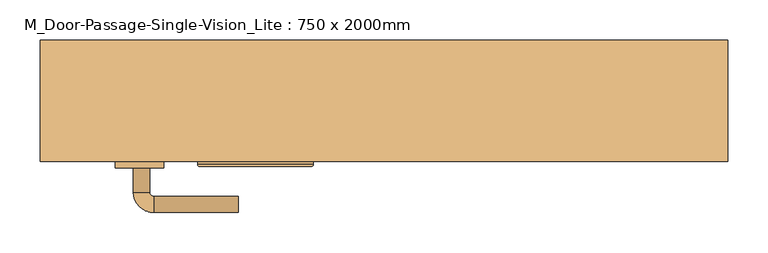
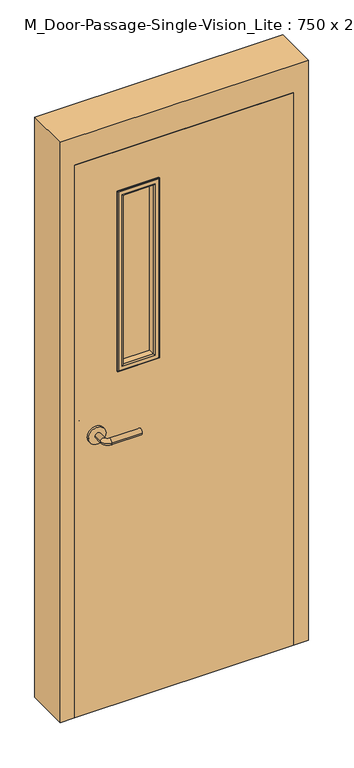
"""IFC4 building model written with IfcOpenShell, lengths in millimetres: door geometry, M_Door-Passage-Single-Vision_Lite : 750 x 2000mm."""

import ifcopenshell
import ifcopenshell.guid

model = None  # the IFC model being written
_history = None  # IfcOwnerHistory: only IFC2X3 demands one
_inside = {}  # id of a spatial element -> (the spatial element, [elements in it])
_under = {}  # id of a project, library or spatial element -> (it, [spatial elements below it])
_declared = {}  # id of a project -> (the project, [libraries it declares])
_typed = {}  # id of a type object -> (the type object, [elements of that type])
_made_of = {}  # id of a material, layer set ... -> (it, [elements and type objects made of it])


def new_model(schema):
    """Start an empty IFC model of exactly this schema.

    Asked for "IFC4X3", IfcOpenShell would pick the latest addendum, in which some entities
    have other attributes; the version numbers below select the first issue.
    IFC2X3 requires an IfcOwnerHistory on every rooted entity: one is made here for all.
    """
    global model, _history
    if schema == "IFC4X3":
        model = ifcopenshell.file(schema_version=(4, 3, 0, 0))
    else:
        model = ifcopenshell.file(schema=schema)
    _inside.clear()
    _under.clear()
    _declared.clear()
    _typed.clear()
    _made_of.clear()
    _history = None
    if model.schema == "IFC2X3":
        org = make("IfcOrganization", Name="unknown")
        user = make(
            "IfcPersonAndOrganization",
            ThePerson=make("IfcPerson", FamilyName="unknown"),
            TheOrganization=org,
        )
        app = make(
            "IfcApplication",
            ApplicationDeveloper=org,
            Version="unknown",
            ApplicationFullName="unknown",
            ApplicationIdentifier="unknown",
        )
        _history = make(
            "IfcOwnerHistory",
            OwningUser=user,
            OwningApplication=app,
            ChangeAction="ADDED",
            CreationDate=0,
        )
    return model


def make(cls, **values):
    """One entity of the class cls with the attributes given. An attribute that is None is left unset."""
    return model.create_entity(
        cls, **{name: value for name, value in values.items() if value is not None}
    )


def rooted(cls, **values):
    """An entity with a GlobalId (a new one), such as an element, a storey or a relation."""
    return make(cls, GlobalId=ifcopenshell.guid.new(), OwnerHistory=_history, **values)


def si_unit(unit_type, name, prefix=None):
    """IfcSIUnit, for example si_unit("LENGTHUNIT", "METRE", prefix="MILLI")."""
    return make("IfcSIUnit", UnitType=unit_type, Prefix=prefix, Name=name)


def assignment(units):
    """IfcUnitAssignment: the units of a project."""
    return None if units is None else make("IfcUnitAssignment", Units=units)


def point(xyz):
    """IfcCartesianPoint."""
    return None if xyz is None else make("IfcCartesianPoint", Coordinates=xyz)


def direction(xyz):
    """IfcDirection."""
    return None if xyz is None else make("IfcDirection", DirectionRatios=xyz)


def frame(location, z_axis=None, x_axis=None):
    """IfcAxis2Placement3D, a coordinate frame: its origin and axes. An axis left out is left unset."""
    return make(
        "IfcAxis2Placement3D",
        Location=point(location),
        Axis=direction(z_axis),
        RefDirection=direction(x_axis),
    )


def frame_2d(location, x_axis=None):
    """IfcAxis2Placement2D, a coordinate frame in the plane: its origin and x axis."""
    return make(
        "IfcAxis2Placement2D", Location=point(location), RefDirection=direction(x_axis)
    )


def origin():
    """The frame at (0, 0, 0) with its axes left unset."""
    return frame((0.0, 0.0, 0.0))


def place(relative_to, where):
    """IfcLocalPlacement: puts the frame where relative to a parent placement (None: the world)."""
    return make(
        "IfcLocalPlacement", PlacementRelTo=relative_to, RelativePlacement=where
    )


def context(
    kind, dimensions, precision=None, world=None, true_north=None, identifier=None
):
    """IfcGeometricRepresentationContext, for example the 3D "Model" context."""
    return make(
        "IfcGeometricRepresentationContext",
        ContextIdentifier=identifier,
        ContextType=kind,
        CoordinateSpaceDimension=dimensions,
        Precision=precision,
        WorldCoordinateSystem=world,
        TrueNorth=true_north,
    )


def project(units=None, contexts=None):
    """IfcProject with its units and contexts."""
    return rooted(
        "IfcProject",
        Name="project",
        RepresentationContexts=contexts,
        UnitsInContext=assignment(units),
    )


def spatial(cls, under=None, at=None, **own):
    """A site, building, storey or space (cls), placed at a placement, below another one or the project."""
    s = rooted(cls, ObjectPlacement=at, **own)
    if under is not None:
        _under.setdefault(under.id(), (under, []))[1].append(s)
    return s


def polyline(points):
    """IfcPolyline through the points."""
    return make("IfcPolyline", Points=[point(p) for p in points])


def circle_curve(where, radius):
    """IfcCircle in the frame where."""
    return make("IfcCircle", Position=where, Radius=radius)


def ellipse_curve(where, semi_axis1, semi_axis2):
    """IfcEllipse in the frame where."""
    return make(
        "IfcEllipse", Position=where, SemiAxis1=semi_axis1, SemiAxis2=semi_axis2
    )


def trimmed(basis, trim1, trim2, sense, master):
    """IfcTrimmedCurve: the piece of a basis curve between two trims."""
    return make(
        "IfcTrimmedCurve",
        BasisCurve=basis,
        Trim1=trim1,
        Trim2=trim2,
        SenseAgreement=sense,
        MasterRepresentation=master,
    )


def segment(curve, same_sense, transition):
    """IfcCompositeCurveSegment."""
    return make(
        "IfcCompositeCurveSegment",
        Transition=transition,
        SameSense=same_sense,
        ParentCurve=curve,
    )


def composite_curve(segments, self_intersect=None):
    """IfcCompositeCurve: segments joined end to end."""
    return make("IfcCompositeCurve", Segments=segments, SelfIntersect=self_intersect)


def outline(outer, holes=None, kind="AREA"):
    """IfcArbitraryClosedProfileDef: a profile drawn as a closed curve; with holes, ...WithVoids."""
    if holes is None:
        return make("IfcArbitraryClosedProfileDef", ProfileType=kind, OuterCurve=outer)
    return make(
        "IfcArbitraryProfileDefWithVoids",
        ProfileType=kind,
        OuterCurve=outer,
        InnerCurves=holes,
    )


def extrude(swept, where, along, depth):
    """IfcExtrudedAreaSolid: the profile swept, set in the frame where, extruded along a direction by depth."""
    return make(
        "IfcExtrudedAreaSolid",
        SweptArea=swept,
        Position=where,
        ExtrudedDirection=direction(along),
        Depth=depth,
    )


def faces_of(points, faces, orient=None, outer=None):
    """IfcFace entities. A face is a list of loops; a loop is a list of indices into points, from 0.

    orient and outer hold one flag for each loop. By default every Orientation is true, the
    first loop of a face is its IfcFaceOuterBound and the others are IfcFaceBound.
    """
    made = []
    for i, loops in enumerate(faces):
        bounds = []
        for j, loop in enumerate(loops):
            is_outer = j == 0 if outer is None else outer[i][j]
            bounds.append(
                make(
                    "IfcFaceOuterBound" if is_outer else "IfcFaceBound",
                    Bound=make("IfcPolyLoop", Polygon=[points[k] for k in loop]),
                    Orientation=True if orient is None else orient[i][j],
                )
            )
        made.append(make("IfcFace", Bounds=bounds))
    return made


def faceted_brep(points, faces, orient=None, outer=None, voids=None):
    """IfcFacetedBrep: a solid bounded by flat faces; with voids (closed shells), ...WithVoids."""
    shared = [point(p) for p in points]
    hull = make("IfcClosedShell", CfsFaces=faces_of(shared, faces, orient, outer))
    if voids is None:
        return make("IfcFacetedBrep", Outer=hull)
    return make(
        "IfcFacetedBrepWithVoids",
        Outer=hull,
        Voids=[
            make(cls, CfsFaces=faces_of(shared, fs, o, b)) for cls, fs, o, b in voids
        ],
    )


def shape(context_of_items, identifier, shape_type, items):
    """IfcShapeRepresentation: the items that make up one representation, for example the "Body"."""
    return make(
        "IfcShapeRepresentation",
        ContextOfItems=context_of_items,
        RepresentationIdentifier=identifier,
        RepresentationType=shape_type,
        Items=items,
    )


def source(mapping_origin, context_of_items, identifier, shape_type, items):
    """IfcRepresentationMap: a shape defined once, which mapped items show again and again."""
    return make(
        "IfcRepresentationMap",
        MappingOrigin=mapping_origin,
        MappedRepresentation=shape(context_of_items, identifier, shape_type, items),
    )


def transform(
    local_origin,
    x_axis=None,
    y_axis=None,
    z_axis=None,
    scale=None,
    scale2=None,
    scale3=None,
    uniform=True,
):
    """IfcCartesianTransformationOperator3D, or its non-uniform kind. x_axis, y_axis, z_axis: its Axis1, 2, 3."""
    if uniform:
        return make(
            "IfcCartesianTransformationOperator3D",
            Axis1=direction(x_axis),
            Axis2=direction(y_axis),
            LocalOrigin=point(local_origin),
            Scale=scale,
            Axis3=direction(z_axis),
        )
    return make(
        "IfcCartesianTransformationOperator3DnonUniform",
        Axis1=direction(x_axis),
        Axis2=direction(y_axis),
        LocalOrigin=point(local_origin),
        Scale=scale,
        Axis3=direction(z_axis),
        Scale2=scale2,
        Scale3=scale3,
    )


def mapped(mapping_source, mapping_target):
    """IfcMappedItem: shows the shape of a source again, moved by a transform."""
    return make(
        "IfcMappedItem", MappingSource=mapping_source, MappingTarget=mapping_target
    )


def made_of(thing, what):
    """Note that an element or type object is made of a material, layer set ...; save() writes the relation."""
    if what is not None:
        _made_of.setdefault(what.id(), (what, []))[1].append(thing)
    return thing


def element(
    cls,
    number,
    at=None,
    inside=None,
    cuts=None,
    type_object=None,
    material=None,
    context=None,
    identifier="Body",
    shape_type=None,
    held_by="IfcProductDefinitionShape",
    body=None,
    shapes=None,
    **own,
):
    """One element of the class cls, such as IfcWall. Its Tag is "e" and its number.

    at: its placement. inside: the storey or other place that contains it. cuts: it is an
    opening in that element (IfcRelVoidsElement). A single representation is given by context,
    identifier, shape_type and body (its items); several are given by shapes. held_by: the class
    of the entity that holds the representations. save() writes the other relations.
    """
    e = rooted(cls, Tag="e%d" % number, ObjectPlacement=at, **own)
    if body is not None:
        shapes = [shape(context, identifier, shape_type, body)]
    if shapes is not None:
        e.Representation = make(held_by, Representations=shapes)
    if inside is not None:
        _inside.setdefault(inside.id(), (inside, []))[1].append(e)
    if cuts is not None:
        rooted(
            "IfcRelVoidsElement", RelatingBuildingElement=cuts, RelatedOpeningElement=e
        )
    if type_object is not None:
        _typed.setdefault(type_object.id(), (type_object, []))[1].append(e)
    return made_of(e, material)


def aggregate(whole, parts):
    """IfcRelAggregates: a whole, such as a stair, and the parts it consists of."""
    return rooted("IfcRelAggregates", RelatingObject=whole, RelatedObjects=parts)


def save(model, path):
    """Write the relations noted so far, then the file.

    IfcRelAggregates (storeys below a building ...), IfcRelContainedInSpatialStructure (elements
    in a storey), IfcRelDefinesByType, IfcRelAssociatesMaterial and IfcRelDeclares: one each for
    every whole, place, type object, material and project.
    """
    for whole, parts in _under.values():
        aggregate(whole, parts)
    for where, things in _inside.values():
        rooted(
            "IfcRelContainedInSpatialStructure",
            RelatedElements=things,
            RelatingStructure=where,
        )
    for kind, things in _typed.values():
        rooted("IfcRelDefinesByType", RelatedObjects=things, RelatingType=kind)
    for what, things in _made_of.values():
        rooted("IfcRelAssociatesMaterial", RelatedObjects=things, RelatingMaterial=what)
    for by, libraries in _declared.values():
        rooted("IfcRelDeclares", RelatingContext=by, RelatedDefinitions=libraries)
    model.write(path)


def plane_surface(at):
    """IfcPlane: the flat surface through the origin of the frame at, square to its z axis."""
    return make("IfcPlane", Position=at)


def cylinder_surface(at, radius):
    """IfcCylindricalSurface: all points at the distance radius from the z axis of the frame at."""
    return make("IfcCylindricalSurface", Position=at, Radius=radius)


def revolved_surface(curve, axis_point, axis_direction):
    """IfcSurfaceOfRevolution: the curve turned about the line through axis_point along axis_direction."""
    return make(
        "IfcSurfaceOfRevolution",
        SweptCurve=make("IfcArbitraryOpenProfileDef", ProfileType="CURVE", Curve=curve),
        AxisPosition=make("IfcAxis1Placement", Location=point(axis_point), Axis=direction(axis_direction)),
    )


def advanced_brep(points, edges, surfaces, faces):
    """IfcAdvancedBrep: a solid bounded by faces that lie on surfaces and meet in shared edges.

    An edge is (start, end): straight between two places in points (the first is 0);
    or (start, end, curve); or (start, end, curve, False) where it runs against its curve.
    A face is (place in surfaces, loops), or (place, loops, False) where it looks against
    its surface's normal. A loop lists edges by number (the first is 1), with a minus sign
    where the edge is run from its end to its start. The first loop is the outer one.
    """
    corners = [point(p) for p in points]
    vertices = [make("IfcVertexPoint", VertexGeometry=c) for c in corners]
    made = []
    for start, end, *more in edges:
        made.append(
            make(
                "IfcEdgeCurve",
                EdgeStart=vertices[start],
                EdgeEnd=vertices[end],
                EdgeGeometry=more[0] if more else make("IfcPolyline", Points=[corners[start], corners[end]]),
                SameSense=more[1] if len(more) > 1 else True,
            )
        )
    hull = []
    for where, loops, *sense in faces:
        bounds = []
        for j, loop in enumerate(loops):
            ring = [make("IfcOrientedEdge", EdgeElement=made[abs(k) - 1], Orientation=k > 0) for k in loop]
            bounds.append(
                make(
                    "IfcFaceOuterBound" if j == 0 else "IfcFaceBound",
                    Bound=make("IfcEdgeLoop", EdgeList=ring),
                    Orientation=True,
                )
            )
        hull.append(make("IfcAdvancedFace", Bounds=bounds, FaceSurface=surfaces[where], SameSense=sense[0] if sense else True))
    return make("IfcAdvancedBrep", Outer=make("IfcClosedShell", CfsFaces=hull))


def m_door_passage_single_vision_lite_750_x_2000mm_ab727fbf(model_context):
    return source(origin(), model_context, "Body", "SolidModel", [
        advanced_brep(
        [(-309.990625, 9.15, 1000.0), (-289.990625, 9.15, 1000.0), (-309.990625, 39.15, 1000.0), (-289.990625, 39.15, 1000.0), (-284.990625, 44.15, 1000.0), (-284.990625, 64.15, 1000.0), (-179.990625, 64.15, 1000.0), (-179.990625, 44.15, 1000.0)],
        [
            (0, 1, circle_curve(frame((-299.990625, 9.15, 1000.0), z_axis=(0.0, -1.0, 0.0), x_axis=(1.0, 0.0, 0.0)), 10.0)),
            (1, 0, circle_curve(frame((-299.990625, 9.15, 1000.0), z_axis=(0.0, -1.0, 0.0), x_axis=(1.0, 0.0, 0.0)), 10.0)),
            (0, 2),
            (2, 3, circle_curve(frame((-299.990625, 39.15, 1000.0), z_axis=(0.0, -1.0, 0.0), x_axis=(1.0, 0.0, 0.0)), 10.0)),
            (3, 1),
            (3, 2, circle_curve(frame((-299.990625, 39.15, 1000.0), z_axis=(0.0, -1.0, 0.0), x_axis=(1.0, 0.0, 0.0)), 10.0)),
            (4, 3, circle_curve(frame((-284.990625, 39.15, 1000.0), z_axis=(0.0, 0.0, 1.0), x_axis=(-1.0, 0.0, 0.0)), 5.0)),
            (2, 5, circle_curve(frame((-284.990625, 39.15, 1000.0), z_axis=(0.0, 0.0, -1.0), x_axis=(-1.0, 0.0, 0.0)), 25.0)),
            (5, 4, circle_curve(frame((-284.990625, 54.15, 1000.0), z_axis=(-1.0, 0.0, 0.0), x_axis=(0.0, -1.0, 0.0)), 10.0)),
            (4, 5, circle_curve(frame((-284.990625, 54.15, 1000.0), z_axis=(-1.0, 0.0, 0.0), x_axis=(0.0, -1.0, 0.0)), 10.0)),
            (6, 7, circle_curve(frame((-179.990625, 54.15, 1000.0), z_axis=(1.0, 0.0, 0.0), x_axis=(0.0, -1.0, 0.0)), 10.0)),
            (7, 6, circle_curve(frame((-179.990625, 54.15, 1000.0), z_axis=(1.0, 0.0, 0.0), x_axis=(0.0, -1.0, 0.0)), 10.0)),
            (5, 6),
            (7, 4),
        ],
        [
            plane_surface(frame((-299.990625, 9.15, 1000.0), z_axis=(0.0, -1.0, 0.0), x_axis=(0.0, 0.0, 1.0))),
            cylinder_surface(frame((-299.990625, 9.15, 1000.0), z_axis=(0.0, -1.0, 0.0), x_axis=(1.0, 0.0, 0.0)), 10.0),
            revolved_surface(trimmed(ellipse_curve(frame((-299.990625, 39.15, 1000.0), z_axis=(0.0, -1.0, 0.0), x_axis=(1.0, 0.0, 0.0)), 10.0, 10.0), [point((-309.990625, 39.15, 1000.0))], [point((-289.990625, 39.15, 1000.0))], True, "CARTESIAN"), (-284.990625, 39.15, 1000.0), (0.0, 0.0, -1.0)),
            revolved_surface(trimmed(ellipse_curve(frame((-299.990625, 39.15, 1000.0), z_axis=(0.0, -1.0, 0.0), x_axis=(1.0, 0.0, 0.0)), 10.0, 10.0), [point((-289.990625, 39.15, 1000.0))], [point((-309.990625, 39.15, 1000.0))], True, "CARTESIAN"), (-284.990625, 39.15, 1000.0), (0.0, 0.0, -1.0)),
            plane_surface(frame((-179.990625, 54.15, 1000.0), z_axis=(1.0, 0.0, 0.0), x_axis=(0.0, 0.0, 1.0))),
            cylinder_surface(frame((-284.990625, 54.15, 1000.0), z_axis=(-1.0, 0.0, 0.0), x_axis=(0.0, -1.0, 0.0)), 10.0),
        ],
        [
            (0, [[1, 2]]),
            (1, [[-1, 3, 4, 5]]),
            (1, [[-2, -5, 6, -3]]),
            (2, [[7, -4, 8, 9]]),
            (3, [[-8, -6, -7, 10]]),
            (4, [[11, 12]]),
            (5, [[-9, 13, -12, 14]]),
            (5, [[-10, -14, -11, -13]]),
        ],
    ),
        extrude(outline(composite_curve([segment(trimmed(circle_curve(frame_2d((1000.0, -302.490625)), 30.0), [point((1000.0, -332.490625))], [point((1000.0, -272.490625))], False, "CARTESIAN"), True, "CONTINUOUS"), segment(trimmed(circle_curve(frame_2d((1000.0, -302.490625)), 30.0), [point((1000.0, -272.490625))], [point((1000.0, -332.490625))], False, "CARTESIAN"), True, "CONTINUOUS")], self_intersect=False)), frame((0.0, 1.15, 0.0), z_axis=(0.0, 1.0, 0.0), x_axis=(0.0, 0.0, 1.0)), (0.0, 0.0, 1.0), 8.0),
        advanced_brep(
        [(-309.990625, -51.85, 1000.0), (-289.990625, -51.85, 1000.0), (-289.990625, -81.85, 1000.0), (-309.990625, -81.85, 1000.0), (-284.990625, -86.85, 1000.0), (-284.990625, -106.85, 1000.0), (-179.990625, -106.85, 1000.0), (-179.990625, -86.85, 1000.0)],
        [
            (0, 1, circle_curve(frame((-299.990625, -51.85, 1000.0), z_axis=(0.0, 1.0, 0.0), x_axis=(1.0, 0.0, 0.0)), 10.0)),
            (1, 0, circle_curve(frame((-299.990625, -51.85, 1000.0), z_axis=(0.0, 1.0, 0.0), x_axis=(1.0, 0.0, 0.0)), 10.0)),
            (1, 2),
            (2, 3, circle_curve(frame((-299.990625, -81.85, 1000.0), z_axis=(0.0, 1.0, 0.0), x_axis=(1.0, 0.0, 0.0)), 10.0)),
            (3, 0),
            (3, 2, circle_curve(frame((-299.990625, -81.85, 1000.0), z_axis=(0.0, 1.0, 0.0), x_axis=(1.0, 0.0, 0.0)), 10.0)),
            (4, 5, circle_curve(frame((-284.990625, -96.85, 1000.0), z_axis=(-1.0, 0.0, 0.0), x_axis=(0.0, 1.0, 0.0)), 10.0)),
            (5, 3, circle_curve(frame((-284.990625, -81.85, 1000.0), z_axis=(0.0, 0.0, -1.0), x_axis=(-1.0, 0.0, 0.0)), 25.0)),
            (2, 4, circle_curve(frame((-284.990625, -81.85, 1000.0), z_axis=(0.0, 0.0, 1.0), x_axis=(-1.0, 0.0, 0.0)), 5.0)),
            (5, 4, circle_curve(frame((-284.990625, -96.85, 1000.0), z_axis=(-1.0, 0.0, 0.0), x_axis=(0.0, 1.0, 0.0)), 10.0)),
            (6, 7, circle_curve(frame((-179.990625, -96.85, 1000.0), z_axis=(1.0, 0.0, 0.0), x_axis=(0.0, 1.0, 0.0)), 10.0)),
            (7, 6, circle_curve(frame((-179.990625, -96.85, 1000.0), z_axis=(1.0, 0.0, 0.0), x_axis=(0.0, 1.0, 0.0)), 10.0)),
            (4, 7),
            (6, 5),
        ],
        [
            plane_surface(frame((-299.990625, -51.85, 1000.0), z_axis=(0.0, 1.0, 0.0), x_axis=(0.0, 0.0, 1.0))),
            cylinder_surface(frame((-299.990625, -51.85, 1000.0), z_axis=(0.0, 1.0, 0.0), x_axis=(1.0, 0.0, 0.0)), 10.0),
            revolved_surface(trimmed(ellipse_curve(frame((-299.990625, -81.85, 1000.0), z_axis=(0.0, -1.0, 0.0), x_axis=(1.0, 0.0, 0.0)), 10.0, 10.0), [point((-309.990625, -81.85, 1000.0))], [point((-289.990625, -81.85, 1000.0))], True, "CARTESIAN"), (-284.990625, -81.85, 1000.0), (0.0, 0.0, -1.0)),
            revolved_surface(trimmed(ellipse_curve(frame((-299.990625, -81.85, 1000.0), z_axis=(0.0, -1.0, 0.0), x_axis=(1.0, 0.0, 0.0)), 10.0, 10.0), [point((-289.990625, -81.85, 1000.0))], [point((-309.990625, -81.85, 1000.0))], True, "CARTESIAN"), (-284.990625, -81.85, 1000.0), (0.0, 0.0, -1.0)),
            plane_surface(frame((-179.990625, -96.85, 1000.0), z_axis=(1.0, 0.0, 0.0), x_axis=(0.0, 0.0, 1.0))),
            cylinder_surface(frame((-284.990625, -96.85, 1000.0), z_axis=(-1.0, 0.0, 0.0), x_axis=(0.0, 1.0, 0.0)), 10.0),
        ],
        [
            (0, [[1, 2]]),
            (1, [[3, 4, 5, -2]]),
            (1, [[-5, 6, -3, -1]]),
            (2, [[7, 8, -4, 9]]),
            (3, [[10, -9, -6, -8]]),
            (4, [[11, 12]]),
            (5, [[13, -11, 14, -7]]),
            (5, [[-14, -12, -13, -10]]),
        ],
    ),
        extrude(outline(composite_curve([segment(trimmed(circle_curve(frame_2d((1000.0, -302.490625)), 30.0), [point((1000.0, -332.490625))], [point((1000.0, -272.490625))], False, "CARTESIAN"), True, "CONTINUOUS"), segment(trimmed(circle_curve(frame_2d((1000.0, -302.490625)), 30.0), [point((1000.0, -272.490625))], [point((1000.0, -332.490625))], False, "CARTESIAN"), True, "CONTINUOUS")], self_intersect=False)), frame((0.0, -51.85, 0.0), z_axis=(0.0, 1.0, 0.0), x_axis=(0.0, 0.0, 1.0)), (0.0, 0.0, 1.0), 8.0),
        extrude(outline(polyline([(2000.0, -375.0), (0.0, -375.0), (0.0, 375.0), (2000.0, 375.0), (2000.0, -375.0)]), holes=[polyline([(1847.6, -222.6), (1847.6, -95.6), (1212.6, -95.6), (1212.6, -222.6), (1847.6, -222.6)])]), frame((0.0, -43.85, 0.0), z_axis=(0.0, 1.0, 0.0), x_axis=(0.0, 0.0, 1.0)), (0.0, 0.0, 1.0), 45.0),
        faceted_brep([(375.0, 5.9125, 0.0), (359.125, 5.9125, 0.0), (359.125, 56.9375, 0.0), (375.0, 56.9375, 0.0), (375.0, 106.15, 0.0), (425.0, 106.15, 0.0), (425.0, -43.85, 0.0), (375.0, -43.85, 0.0), (375.0, -43.85, 2000.0), (375.0, 5.9125, 2000.0), (425.0, -43.85, 2100.0), (-425.0, -43.85, 2100.0), (-425.0, -43.85, 0.0), (-375.0, -43.85, 0.0), (-375.0, -43.85, 2000.0), (425.0, 106.15, 2100.0), (375.0, 106.15, 2000.0), (-375.0, 106.15, 2000.0), (-375.0, 106.15, 0.0), (-425.0, 106.15, 0.0), (-425.0, 106.15, 2100.0), (375.0, 56.9375, 2000.0), (359.125, 56.9375, 1984.125), (-359.125, 56.9375, 1984.125), (-359.125, 56.9375, 0.0), (-375.0, 56.9375, 0.0), (-375.0, 56.9375, 2000.0), (359.125, 5.9125, 1984.125), (-375.0, 5.9125, 2000.0), (-375.0, 5.9125, 0.0), (-359.125, 5.9125, 0.0), (-359.125, 5.9125, 1984.125)], [[[0, 1, 2, 3, 4, 5, 6, 7]], [[7, 8, 9, 0]], [[6, 10, 11, 12, 13, 14, 8, 7]], [[5, 15, 10, 6]], [[4, 16, 17, 18, 19, 20, 15, 5]], [[3, 21, 16, 4]], [[2, 22, 23, 24, 25, 26, 21, 3]], [[1, 27, 22, 2]], [[0, 9, 28, 29, 30, 31, 27, 1]], [[8, 14, 28, 9]], [[16, 21, 26, 17]], [[22, 27, 31, 23]], [[12, 19, 18, 25, 24, 30, 29, 13]], [[13, 29, 28, 14]], [[11, 20, 19, 12]], [[17, 26, 25, 18]], [[23, 31, 30, 24]], [[15, 20, 11, 10]]]),
        extrude(outline(polyline([(-95.6, -18.85), (-95.6, -23.85), (-222.6, -23.85), (-222.6, -18.85), (-95.6, -18.85)])), frame((0.0, 0.0, 1212.6), z_axis=(0.0, 0.0, 1.0), x_axis=(1.0, 0.0, 0.0)), (0.0, 0.0, 1.0), 635.0),
        advanced_brep(
        [(-222.6, -23.85, 1847.6), (-222.6, -23.85, 1212.6), (-222.6, -43.85, 1212.6), (-222.6, -43.85, 1847.6), (-210.6, -44.85, 1835.6), (-210.6, -44.85, 1224.6), (-210.6, -23.85, 1224.6), (-210.6, -23.85, 1835.6), (-215.6, -49.85, 1840.6), (-215.6, -49.85, 1219.6), (-230.6, -47.85, 1855.6), (-230.6, -47.85, 1204.6), (-228.6, -49.85, 1206.6), (-228.6, -49.85, 1853.6), (-230.6, -43.85, 1855.6), (-230.6, -43.85, 1204.6), (-95.6, -23.85, 1212.6), (-95.6, -43.85, 1212.6), (-107.6, -44.85, 1224.6), (-107.6, -23.85, 1224.6), (-102.6, -49.85, 1219.6), (-87.6, -47.85, 1204.6), (-89.6, -49.85, 1206.6), (-87.6, -43.85, 1204.6), (-95.6, -23.85, 1847.6), (-95.6, -43.85, 1847.6), (-107.6, -44.85, 1835.6), (-107.6, -23.85, 1835.6), (-102.6, -49.85, 1840.6), (-87.6, -47.85, 1855.6), (-89.6, -49.85, 1853.6), (-87.6, -43.85, 1855.6)],
        [
            (0, 1),
            (1, 2),
            (2, 3),
            (3, 0),
            (4, 5),
            (5, 6),
            (6, 7),
            (7, 4),
            (8, 9),
            (9, 5, ellipse_curve(frame((-215.6, -44.85, 1219.6), z_axis=(-0.7071067811865475, 0.0, 0.7071067811865475), x_axis=(0.7071067811865474, 0.0, 0.7071067811865476)), 7.0710678, 5.0)),
            (4, 8, ellipse_curve(frame((-215.6, -44.85, 1840.6), z_axis=(-0.7071067811865475, 0.0, -0.7071067811865475), x_axis=(-0.7071067811865474, 0.0, 0.7071067811865476)), 7.0710678, 5.0)),
            (10, 11),
            (11, 12, ellipse_curve(frame((-228.6, -47.85, 1206.6), z_axis=(-0.7071067811865475, 0.0, 0.7071067811865475), x_axis=(0.7071067811865474, 0.0, 0.7071067811865476)), 2.8284271, 2.0)),
            (12, 13),
            (13, 10, ellipse_curve(frame((-228.6, -47.85, 1853.6), z_axis=(-0.7071067811865475, 0.0, -0.7071067811865475), x_axis=(-0.7071067811865474, 0.0, 0.7071067811865476)), 2.8284271, 2.0)),
            (14, 15),
            (15, 11),
            (10, 14),
            (1, 16),
            (16, 17),
            (17, 2),
            (5, 18),
            (18, 19),
            (19, 6),
            (9, 20),
            (20, 18, ellipse_curve(frame((-102.6, -44.85, 1219.6), z_axis=(-0.7071067811865475, 0.0, -0.7071067811865475), x_axis=(-0.7071067811865476, 0.0, 0.7071067811865474)), 7.0710678, 5.0)),
            (11, 21),
            (21, 22, ellipse_curve(frame((-89.6, -47.85, 1206.6), z_axis=(-0.7071067811865475, 0.0, -0.7071067811865475), x_axis=(-0.7071067811865476, 0.0, 0.7071067811865474)), 2.8284271, 2.0)),
            (22, 12),
            (15, 23),
            (23, 21),
            (16, 24),
            (24, 25),
            (25, 17),
            (18, 26),
            (26, 27),
            (27, 19),
            (20, 28),
            (28, 26, ellipse_curve(frame((-102.6, -44.85, 1840.6), z_axis=(0.7071067811865475, 0.0, -0.7071067811865475), x_axis=(-0.7071067811865474, 0.0, -0.7071067811865476)), 7.0710678, 5.0)),
            (21, 29),
            (29, 30, ellipse_curve(frame((-89.6, -47.85, 1853.6), z_axis=(0.7071067811865475, 0.0, -0.7071067811865475), x_axis=(-0.7071067811865474, 0.0, -0.7071067811865476)), 2.8284271, 2.0)),
            (30, 22),
            (23, 31),
            (31, 29),
            (14, 31),
            (25, 3),
            (24, 0),
            (27, 7),
            (26, 4),
            (28, 8),
            (30, 13),
            (29, 10),
        ],
        [
            plane_surface(frame((-222.6, -43.85, 1847.6), z_axis=(-1.0, 0.0, 0.0), x_axis=(0.0, 0.0, -1.0))),
            plane_surface(frame((-210.6, -23.85, 1835.6), z_axis=(1.0, 0.0, 0.0), x_axis=(0.0, 0.0, -1.0))),
            cylinder_surface(frame((-215.6, -44.85, 1847.6), z_axis=(0.0, 0.0, 1.0), x_axis=(-1.0, 0.0, 0.0)), 5.0),
            cylinder_surface(frame((-228.6, -47.85, 1847.6), z_axis=(0.0, 0.0, 1.0), x_axis=(-1.0, 0.0, 0.0)), 2.0),
            plane_surface(frame((-230.6, -47.85, 1855.6), z_axis=(-1.0, 0.0, 0.0), x_axis=(0.0, 0.0, -1.0))),
            plane_surface(frame((-222.6, -43.85, 1212.6), z_axis=(0.0, 0.0, -1.0), x_axis=(1.0, 0.0, 0.0))),
            plane_surface(frame((-210.6, -23.85, 1224.6), z_axis=(0.0, 0.0, 1.0), x_axis=(1.0, 0.0, 0.0))),
            cylinder_surface(frame((-222.6, -44.85, 1219.6), z_axis=(-1.0, 0.0, 0.0), x_axis=(0.0, 0.0, -1.0)), 5.0),
            cylinder_surface(frame((-222.6, -47.85, 1206.6), z_axis=(-1.0, 0.0, 0.0), x_axis=(0.0, 0.0, -1.0)), 2.0),
            plane_surface(frame((-230.6, -47.85, 1204.6), z_axis=(0.0, 0.0, -1.0), x_axis=(1.0, 0.0, 0.0))),
            plane_surface(frame((-95.6, -43.85, 1212.6), z_axis=(1.0, 0.0, 0.0), x_axis=(0.0, 0.0, 1.0))),
            plane_surface(frame((-107.6, -23.85, 1224.6), z_axis=(-1.0, 0.0, 0.0), x_axis=(0.0, 0.0, 1.0))),
            cylinder_surface(frame((-102.6, -44.85, 1212.6), z_axis=(0.0, 0.0, -1.0), x_axis=(1.0, 0.0, 0.0)), 5.0),
            cylinder_surface(frame((-89.6, -47.85, 1212.6), z_axis=(0.0, 0.0, -1.0), x_axis=(1.0, 0.0, 0.0)), 2.0),
            plane_surface(frame((-87.6, -47.85, 1204.6), z_axis=(1.0, 0.0, 0.0), x_axis=(0.0, 0.0, 1.0))),
            plane_surface(frame((-87.6, -43.85, 1855.6), z_axis=(0.0, 1.0, 0.0), x_axis=(-1.0, 0.0, 0.0))),
            plane_surface(frame((-95.6, -43.85, 1847.6), z_axis=(0.0, 0.0, 1.0), x_axis=(-1.0, 0.0, 0.0))),
            plane_surface(frame((-95.6, -23.85, 1847.6), z_axis=(0.0, 1.0, 0.0), x_axis=(-1.0, 0.0, 0.0))),
            plane_surface(frame((-107.6, -23.85, 1835.6), z_axis=(0.0, 0.0, -1.0), x_axis=(-1.0, 0.0, 0.0))),
            cylinder_surface(frame((-95.6, -44.85, 1840.6), z_axis=(1.0, 0.0, 0.0), x_axis=(0.0, 0.0, 1.0)), 5.0),
            plane_surface(frame((-102.6, -49.85, 1840.6), z_axis=(0.0, -1.0, 0.0), x_axis=(-1.0, 0.0, 0.0))),
            cylinder_surface(frame((-95.6, -47.85, 1853.6), z_axis=(1.0, 0.0, 0.0), x_axis=(0.0, 0.0, 1.0)), 2.0),
            plane_surface(frame((-87.6, -47.85, 1855.6), z_axis=(0.0, 0.0, 1.0), x_axis=(-1.0, 0.0, 0.0))),
        ],
        [
            (0, [[1, 2, 3, 4]]),
            (1, [[5, 6, 7, 8]]),
            (2, [[9, 10, -5, 11]]),
            (3, [[12, 13, 14, 15]]),
            (4, [[16, 17, -12, 18]]),
            (5, [[19, 20, 21, -2]]),
            (6, [[22, 23, 24, -6]]),
            (7, [[25, 26, -22, -10]]),
            (8, [[27, 28, 29, -13]]),
            (9, [[30, 31, -27, -17]]),
            (10, [[32, 33, 34, -20]]),
            (11, [[35, 36, 37, -23]]),
            (12, [[38, 39, -35, -26]]),
            (13, [[40, 41, 42, -28]]),
            (14, [[43, 44, -40, -31]]),
            (15, [[-16, 45, -43, -30], [-3, -21, -34, 46]]),
            (16, [[47, -4, -46, -33]]),
            (17, [[-1, -47, -32, -19], [-7, -24, -37, 48]]),
            (18, [[49, -8, -48, -36]]),
            (19, [[50, -11, -49, -39]]),
            (20, [[-14, -29, -42, 51], [-9, -50, -38, -25]]),
            (21, [[52, -15, -51, -41]]),
            (22, [[-45, -18, -52, -44]]),
        ],
    ),
        advanced_brep(
        [(-222.6, -18.85, 1212.6), (-222.6, -18.85, 1847.6), (-222.6, 1.15, 1847.6), (-222.6, 1.15, 1212.6), (-210.6, 2.15, 1224.6), (-210.6, 2.15, 1835.6), (-210.6, -18.85, 1835.6), (-210.6, -18.85, 1224.6), (-215.6, 7.15, 1219.6), (-215.6, 7.15, 1840.6), (-230.6, 5.15, 1204.6), (-230.6, 5.15, 1855.6), (-228.6, 7.15, 1853.6), (-228.6, 7.15, 1206.6), (-230.6, 1.15, 1204.6), (-230.6, 1.15, 1855.6), (-95.6, -18.85, 1847.6), (-95.6, 1.15, 1847.6), (-107.6, 2.15, 1835.6), (-107.6, -18.85, 1835.6), (-102.6, 7.15, 1840.6), (-87.6, 5.15, 1855.6), (-89.6, 7.15, 1853.6), (-87.6, 1.15, 1855.6), (-95.6, -18.85, 1212.6), (-95.6, 1.15, 1212.6), (-107.6, 2.15, 1224.6), (-107.6, -18.85, 1224.6), (-102.6, 7.15, 1219.6), (-87.6, 5.15, 1204.6), (-89.6, 7.15, 1206.6), (-87.6, 1.15, 1204.6)],
        [
            (0, 1),
            (1, 2),
            (2, 3),
            (3, 0),
            (4, 5),
            (5, 6),
            (6, 7),
            (7, 4),
            (8, 9),
            (9, 5, ellipse_curve(frame((-215.6, 2.15, 1840.6), z_axis=(-0.7071067811865475, 0.0, -0.7071067811865475), x_axis=(0.7071067811865474, 0.0, -0.7071067811865476)), 7.0710678, 5.0)),
            (4, 8, ellipse_curve(frame((-215.6, 2.15, 1219.6), z_axis=(-0.7071067811865475, 0.0, 0.7071067811865475), x_axis=(-0.7071067811865474, 0.0, -0.7071067811865476)), 7.0710678, 5.0)),
            (10, 11),
            (11, 12, ellipse_curve(frame((-228.6, 5.15, 1853.6), z_axis=(-0.7071067811865475, 0.0, -0.7071067811865475), x_axis=(0.7071067811865474, 0.0, -0.7071067811865476)), 2.8284271, 2.0)),
            (12, 13),
            (13, 10, ellipse_curve(frame((-228.6, 5.15, 1206.6), z_axis=(-0.7071067811865475, 0.0, 0.7071067811865475), x_axis=(-0.7071067811865474, 0.0, -0.7071067811865476)), 2.8284271, 2.0)),
            (14, 15),
            (15, 11),
            (10, 14),
            (1, 16),
            (16, 17),
            (17, 2),
            (5, 18),
            (18, 19),
            (19, 6),
            (9, 20),
            (20, 18, ellipse_curve(frame((-102.6, 2.15, 1840.6), z_axis=(-0.7071067811865475, 0.0, 0.7071067811865475), x_axis=(-0.7071067811865476, 0.0, -0.7071067811865474)), 7.0710678, 5.0)),
            (11, 21),
            (21, 22, ellipse_curve(frame((-89.6, 5.15, 1853.6), z_axis=(-0.7071067811865475, 0.0, 0.7071067811865475), x_axis=(-0.7071067811865476, 0.0, -0.7071067811865474)), 2.8284271, 2.0)),
            (22, 12),
            (15, 23),
            (23, 21),
            (16, 24),
            (24, 25),
            (25, 17),
            (18, 26),
            (26, 27),
            (27, 19),
            (20, 28),
            (28, 26, ellipse_curve(frame((-102.6, 2.15, 1219.6), z_axis=(0.7071067811865475, 0.0, 0.7071067811865475), x_axis=(-0.7071067811865474, 0.0, 0.7071067811865476)), 7.0710678, 5.0)),
            (21, 29),
            (29, 30, ellipse_curve(frame((-89.6, 5.15, 1206.6), z_axis=(0.7071067811865475, 0.0, 0.7071067811865475), x_axis=(-0.7071067811865474, 0.0, 0.7071067811865476)), 2.8284271, 2.0)),
            (30, 22),
            (23, 31),
            (31, 29),
            (14, 31),
            (25, 3),
            (24, 0),
            (27, 7),
            (26, 4),
            (28, 8),
            (30, 13),
            (29, 10),
        ],
        [
            plane_surface(frame((-222.6, 1.15, 1212.6), z_axis=(-1.0, 0.0, 0.0), x_axis=(0.0, 0.0, 1.0))),
            plane_surface(frame((-210.6, -18.85, 1224.6), z_axis=(1.0, 0.0, 0.0), x_axis=(0.0, 0.0, 1.0))),
            cylinder_surface(frame((-215.6, 2.15, 1212.6), z_axis=(0.0, 0.0, -1.0), x_axis=(-1.0, 0.0, 0.0)), 5.0),
            cylinder_surface(frame((-228.6, 5.15, 1212.6), z_axis=(0.0, 0.0, -1.0), x_axis=(-1.0, 0.0, 0.0)), 2.0),
            plane_surface(frame((-230.6, 5.15, 1204.6), z_axis=(-1.0, 0.0, 0.0), x_axis=(0.0, 0.0, 1.0))),
            plane_surface(frame((-222.6, 1.15, 1847.6), z_axis=(0.0, 0.0, 1.0), x_axis=(1.0, 0.0, 0.0))),
            plane_surface(frame((-210.6, -18.85, 1835.6), z_axis=(0.0, 0.0, -1.0), x_axis=(1.0, 0.0, 0.0))),
            cylinder_surface(frame((-222.6, 2.15, 1840.6), z_axis=(-1.0, 0.0, 0.0), x_axis=(0.0, 0.0, 1.0)), 5.0),
            cylinder_surface(frame((-222.6, 5.15, 1853.6), z_axis=(-1.0, 0.0, 0.0), x_axis=(0.0, 0.0, 1.0)), 2.0),
            plane_surface(frame((-230.6, 5.15, 1855.6), z_axis=(0.0, 0.0, 1.0), x_axis=(1.0, 0.0, 0.0))),
            plane_surface(frame((-95.6, 1.15, 1847.6), z_axis=(1.0, 0.0, 0.0), x_axis=(0.0, 0.0, -1.0))),
            plane_surface(frame((-107.6, -18.85, 1835.6), z_axis=(-1.0, 0.0, 0.0), x_axis=(0.0, 0.0, -1.0))),
            cylinder_surface(frame((-102.6, 2.15, 1847.6), z_axis=(0.0, 0.0, 1.0), x_axis=(1.0, 0.0, 0.0)), 5.0),
            cylinder_surface(frame((-89.6, 5.15, 1847.6), z_axis=(0.0, 0.0, 1.0), x_axis=(1.0, 0.0, 0.0)), 2.0),
            plane_surface(frame((-87.6, 5.15, 1855.6), z_axis=(1.0, 0.0, 0.0), x_axis=(0.0, 0.0, -1.0))),
            plane_surface(frame((-87.6, 1.15, 1204.6), z_axis=(0.0, -1.0, 0.0), x_axis=(-1.0, 0.0, 0.0))),
            plane_surface(frame((-95.6, 1.15, 1212.6), z_axis=(0.0, 0.0, -1.0), x_axis=(-1.0, 0.0, 0.0))),
            plane_surface(frame((-95.6, -18.85, 1212.6), z_axis=(0.0, -1.0, 0.0), x_axis=(-1.0, 0.0, 0.0))),
            plane_surface(frame((-107.6, -18.85, 1224.6), z_axis=(0.0, 0.0, 1.0), x_axis=(-1.0, 0.0, 0.0))),
            cylinder_surface(frame((-95.6, 2.15, 1219.6), z_axis=(1.0, 0.0, 0.0), x_axis=(0.0, 0.0, -1.0)), 5.0),
            plane_surface(frame((-102.6, 7.15, 1219.6), z_axis=(0.0, 1.0, 0.0), x_axis=(-1.0, 0.0, 0.0))),
            cylinder_surface(frame((-95.6, 5.15, 1206.6), z_axis=(1.0, 0.0, 0.0), x_axis=(0.0, 0.0, -1.0)), 2.0),
            plane_surface(frame((-87.6, 5.15, 1204.6), z_axis=(0.0, 0.0, -1.0), x_axis=(-1.0, 0.0, 0.0))),
        ],
        [
            (0, [[1, 2, 3, 4]]),
            (1, [[5, 6, 7, 8]]),
            (2, [[9, 10, -5, 11]]),
            (3, [[12, 13, 14, 15]]),
            (4, [[16, 17, -12, 18]]),
            (5, [[19, 20, 21, -2]]),
            (6, [[22, 23, 24, -6]]),
            (7, [[25, 26, -22, -10]]),
            (8, [[27, 28, 29, -13]]),
            (9, [[30, 31, -27, -17]]),
            (10, [[32, 33, 34, -20]]),
            (11, [[35, 36, 37, -23]]),
            (12, [[38, 39, -35, -26]]),
            (13, [[40, 41, 42, -28]]),
            (14, [[43, 44, -40, -31]]),
            (15, [[-16, 45, -43, -30], [-3, -21, -34, 46]]),
            (16, [[47, -4, -46, -33]]),
            (17, [[-1, -47, -32, -19], [-7, -24, -37, 48]]),
            (18, [[49, -8, -48, -36]]),
            (19, [[50, -11, -49, -39]]),
            (20, [[-14, -29, -42, 51], [-9, -50, -38, -25]]),
            (21, [[52, -15, -51, -41]]),
            (22, [[-45, -18, -52, -44]]),
        ],
    ),
    ])


if __name__ == "__main__":
    model = new_model("IFC4")
    model_context = context("Model", 3, world=origin())
    ifc_project = project(units=[si_unit("LENGTHUNIT", "METRE", prefix="MILLI")], contexts=[model_context])
    site = spatial("IfcSite", under=ifc_project)
    building = spatial("IfcBuilding", under=site)
    placement = place(None, origin())
    m_door_passage_single_vision_lite_750_x_2000mm_shape = m_door_passage_single_vision_lite_750_x_2000mm_ab727fbf(model_context)
    element("IfcDoor", 1, ObjectType="M_Door-Passage-Single-Vision_Lite : 750 x 2000mm", at=placement, inside=building, context=model_context, shape_type="MappedRepresentation", body=[
        mapped(m_door_passage_single_vision_lite_750_x_2000mm_shape, transform((0.0, 0.0, 0.0), x_axis=(1.0, 0.0, 0.0), y_axis=(0.0, 1.0, 0.0), z_axis=(0.0, 0.0, 1.0))),
    ])
    save(model, "model.ifc")
